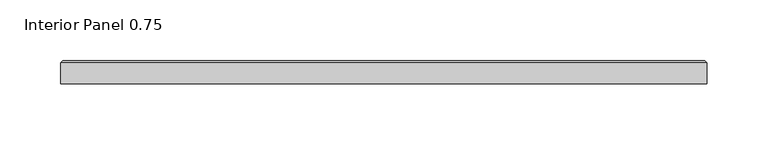
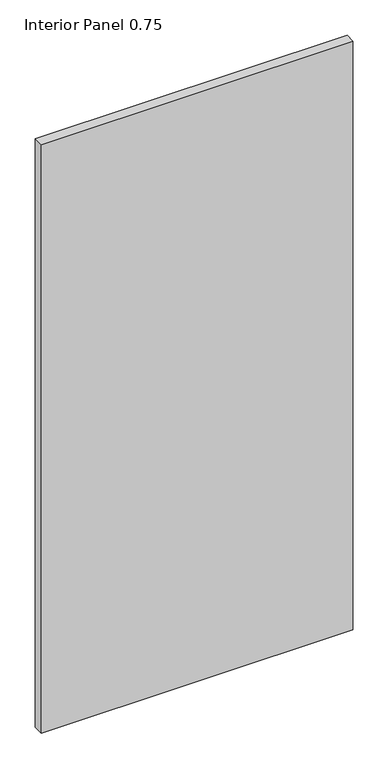
"""IFC4 building model written with IfcOpenShell, lengths in millimetres: proxy geometry, Interior Panel 0.75."""

from ifc_helpers import new_model, si_unit, origin, place, context, project, spatial, faceted_brep, source, transform, mapped, element, save


def interior_panel_0_75_85382f95(model_context):
    return source(origin(), model_context, "Body", "Brep", [
        faceted_brep([(459.6804688, -3.175, 1063.625), (459.6804688, 14.2875, 1063.625), (-73.025, 14.2875, 1063.625), (-73.025, -3.175, 1063.625), (459.6804688, -3.175, 0.0), (-73.025, -3.175, 0.0), (-73.025, 14.2875, 0.0), (459.6804688, 14.2875, 0.0), (-71.4375, 15.875, 1062.0375), (458.0929688, 15.875, 1062.0375), (458.0929688, 15.875, 1.5875), (-71.4375, 15.875, 1.5875)], [[[0, 1, 2, 3]], [[4, 5, 6, 7]], [[3, 5, 4, 0]], [[2, 6, 5, 3]], [[8, 9, 10, 11]], [[0, 4, 7, 1]], [[2, 8, 11, 6]], [[7, 10, 9, 1]], [[1, 9, 8, 2]], [[6, 11, 10, 7]]]),
    ])


if __name__ == "__main__":
    model = new_model("IFC4")
    model_context = context("Model", 3, world=origin())
    ifc_project = project(units=[si_unit("LENGTHUNIT", "METRE", prefix="MILLI")], contexts=[model_context])
    site = spatial("IfcSite", under=ifc_project)
    building = spatial("IfcBuilding", under=site)
    placement = place(None, origin())
    interior_panel_0_75_shape = interior_panel_0_75_85382f95(model_context)
    element("IfcBuildingElementProxy", 1, Name="Interior Panel 0.75", ObjectType="Interior Panel 0.75", at=placement, inside=building, context=model_context, shape_type="MappedRepresentation", body=[
        mapped(interior_panel_0_75_shape, transform((0.0, 0.0, 0.0), x_axis=(1.0, 0.0, 0.0), y_axis=(0.0, 1.0, 0.0), z_axis=(0.0, 0.0, 1.0))),
    ])
    save(model, "model.ifc")
